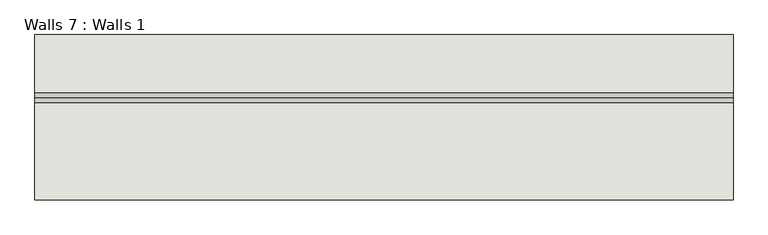
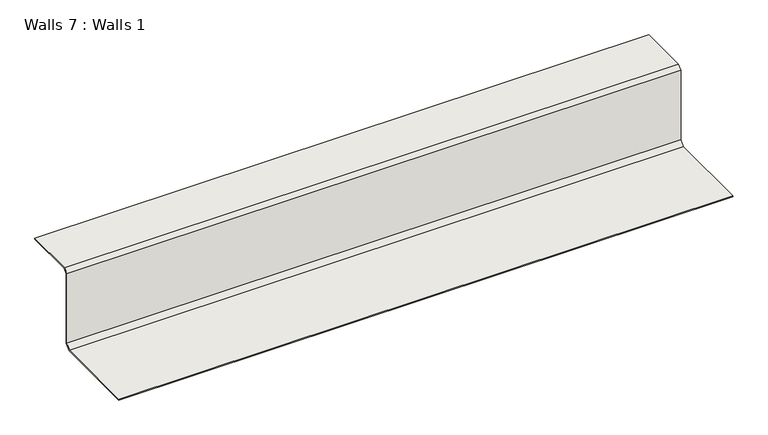
"""IFC4 building model written with IfcOpenShell, lengths in millimetres: wall geometry, Walls 7 : Walls 1."""

from ifc_helpers import new_model, si_unit, frame, origin, place, context, project, spatial, polyline, outline, extrude, source, transform, mapped, element, save


def walls_7_walls_1_e61e6966(model_context):
    return source(origin(), model_context, "Body", "SweptSolid", [
        extrude(outline(polyline([(1041.9444281, 3.1732159), (1059.1363402, 20.3651281), (1059.1363402, 293.2414174), (1073.8699228, 307.975), (1265.5113402, 307.975), (1265.5113402, 304.8), (1075.1850509, 304.8), (1062.3113402, 291.9262893), (1062.3113402, 19.05), (1043.2613402, 0.0), (723.832796, 0.0), (723.832796, 3.1732159), (1041.9444281, 3.1732159)])), frame((1879.6350462, 0.0, 0.0), z_axis=(1.0, 0.0, 0.0), x_axis=(0.0, 1.0, 0.0)), (0.0, 0.0, 1.0), 2286.0),
    ])


if __name__ == "__main__":
    model = new_model("IFC4")
    model_context = context("Model", 3, world=origin())
    ifc_project = project(units=[si_unit("LENGTHUNIT", "METRE", prefix="MILLI")], contexts=[model_context])
    site = spatial("IfcSite", under=ifc_project)
    building = spatial("IfcBuilding", under=site)
    placement = place(None, origin())
    walls_7_walls_1_shape = walls_7_walls_1_e61e6966(model_context)
    element("IfcWall", 1, ObjectType="Walls 7 : Walls 1", at=placement, inside=building, context=model_context, shape_type="MappedRepresentation", body=[
        mapped(walls_7_walls_1_shape, transform((0.0, 0.0, 0.0), x_axis=(1.0, 0.0, 0.0), y_axis=(0.0, 1.0, 0.0), z_axis=(0.0, 0.0, 1.0))),
    ])
    save(model, "model.ifc")
